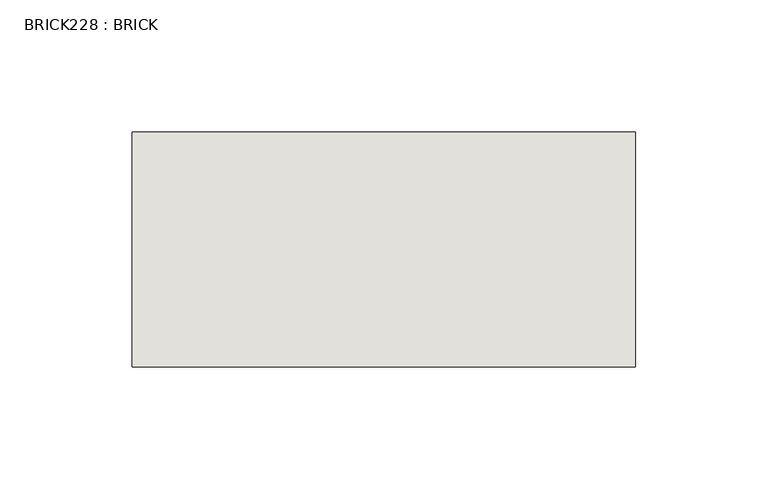
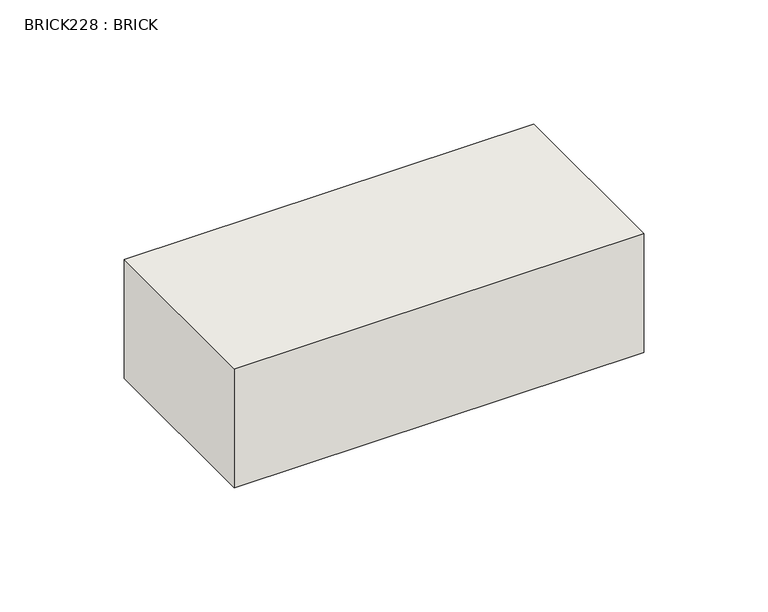
"""IFC4 building model written with IfcOpenShell, lengths in millimetres: wall geometry, BRICK228 : BRICK."""

from ifc_helpers import new_model, si_unit, frame, origin, place, context, project, spatial, polyline, outline, extrude, source, transform, mapped, element, save


def brick228_brick_17c0ce87(model_context):
    return source(origin(), model_context, "Body", "SweptSolid", [
        extrude(outline(polyline([(-1481.0574357, 3062.3923312), (-1290.5574357, 3062.3923312), (-1290.5574357, 2973.4923312), (-1481.0574357, 2973.4923312), (-1481.0574357, 3062.3923312)])), frame((0.0, 0.0, 4.1671875), z_axis=(0.0, 0.0, 1.0), x_axis=(1.0, 0.0, 0.0)), (0.0, 0.0, 1.0), 58.4398437),
    ])


if __name__ == "__main__":
    model = new_model("IFC4")
    model_context = context("Model", 3, world=origin())
    ifc_project = project(units=[si_unit("LENGTHUNIT", "METRE", prefix="MILLI")], contexts=[model_context])
    site = spatial("IfcSite", under=ifc_project)
    building = spatial("IfcBuilding", under=site)
    placement = place(None, origin())
    brick228_brick_shape = brick228_brick_17c0ce87(model_context)
    element("IfcWall", 1, ObjectType="BRICK228 : BRICK", at=placement, inside=building, context=model_context, shape_type="MappedRepresentation", body=[
        mapped(brick228_brick_shape, transform((0.0, 0.0, 0.0), x_axis=(1.0, 0.0, 0.0), y_axis=(0.0, 1.0, 0.0), z_axis=(0.0, 0.0, 1.0))),
    ])
    save(model, "model.ifc")
